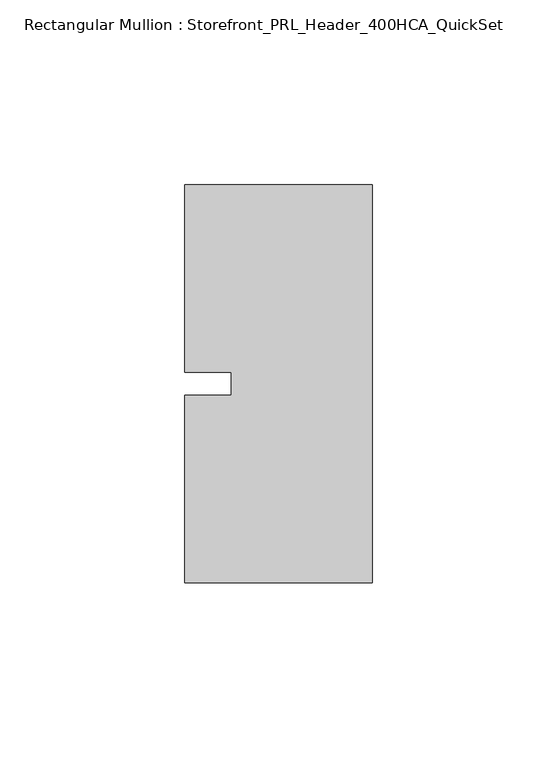
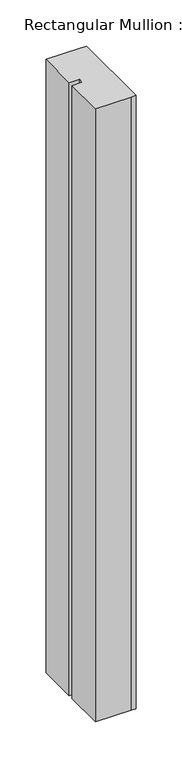
"""IFC4 building model written with IfcOpenShell, lengths in millimetres: member geometry, Rectangular Mullion : Storefront_PRL_Header_400HCA_QuickSet."""

from ifc_helpers import new_model, si_unit, frame, origin, place, context, project, spatial, polyline, outline, extrude, source, transform, mapped, element, save


def rectangular_mullion_storefront_prl_header_400hca_quickset_d5bbe893(model_context):
    return source(origin(), model_context, "Body", "SweptSolid", [
        extrude(outline(polyline([(-38.1, -3.175), (-38.1, 3.175), (-50.8, 3.175), (-50.8, 53.975), (-7.7254924, 53.975), (0.0, 53.975), (0.0, -53.975), (-6.35, -53.975), (-50.8, -53.975), (-50.8, -3.175), (-38.1, -3.175)])), frame((0.0, 0.0, -812.8), z_axis=(0.0, 0.0, 1.0), x_axis=(1.0, 0.0, 0.0)), (0.0, 0.0, 1.0), 812.8),
    ])


if __name__ == "__main__":
    model = new_model("IFC4")
    model_context = context("Model", 3, world=origin())
    ifc_project = project(units=[si_unit("LENGTHUNIT", "METRE", prefix="MILLI")], contexts=[model_context])
    site = spatial("IfcSite", under=ifc_project)
    building = spatial("IfcBuilding", under=site)
    placement = place(None, origin())
    rectangular_mullion_storefront_prl_header_400hca_quickset_shape = rectangular_mullion_storefront_prl_header_400hca_quickset_d5bbe893(model_context)
    element("IfcMember", 1, ObjectType="Rectangular Mullion : Storefront_PRL_Header_400HCA_QuickSet", at=placement, inside=building, context=model_context, shape_type="MappedRepresentation", body=[
        mapped(rectangular_mullion_storefront_prl_header_400hca_quickset_shape, transform((0.0, 0.0, 0.0), x_axis=(1.0, 0.0, 0.0), y_axis=(0.0, 1.0, 0.0), z_axis=(0.0, 0.0, 1.0))),
    ])
    save(model, "model.ifc")
